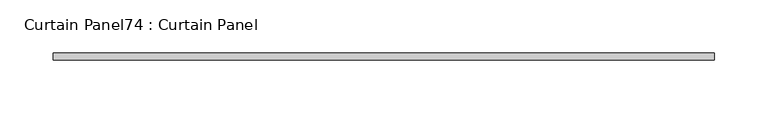
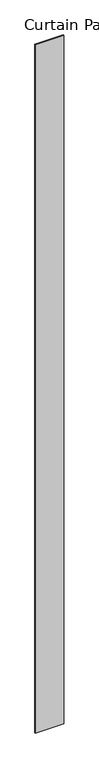
"""IFC4 building model written with IfcOpenShell, lengths in millimetres: plate geometry, Curtain Panel74 : Curtain Panel."""

from ifc_helpers import new_model, si_unit, frame, origin, place, context, project, spatial, polyline, outline, extrude, source, transform, mapped, element, save


def curtain_panel74_curtain_panel_67f3df38(model_context):
    return source(origin(), model_context, "Body", "SweptSolid", [
        extrude(outline(polyline([(166191.0917433, 8028.5834949), (165570.4740345, 8028.5834949), (165570.4740345, 8034.9334949), (166191.0917433, 8034.9334949), (166191.0917433, 8028.5834949)])), frame((0.0, 0.0, 1433.7679301), z_axis=(0.0, 0.0, 1.0), x_axis=(1.0, 0.0, 0.0)), (0.0, 0.0, 1.0), 15837.0064664),
    ])


if __name__ == "__main__":
    model = new_model("IFC4")
    model_context = context("Model", 3, world=origin())
    ifc_project = project(units=[si_unit("LENGTHUNIT", "METRE", prefix="MILLI")], contexts=[model_context])
    site = spatial("IfcSite", under=ifc_project)
    building = spatial("IfcBuilding", under=site)
    placement = place(None, origin())
    curtain_panel74_curtain_panel_shape = curtain_panel74_curtain_panel_67f3df38(model_context)
    element("IfcPlate", 1, ObjectType="Curtain Panel74 : Curtain Panel", at=placement, inside=building, context=model_context, shape_type="MappedRepresentation", body=[
        mapped(curtain_panel74_curtain_panel_shape, transform((0.0, 0.0, 0.0), x_axis=(1.0, 0.0, 0.0), y_axis=(0.0, 1.0, 0.0), z_axis=(0.0, 0.0, 1.0))),
    ])
    save(model, "model.ifc")
